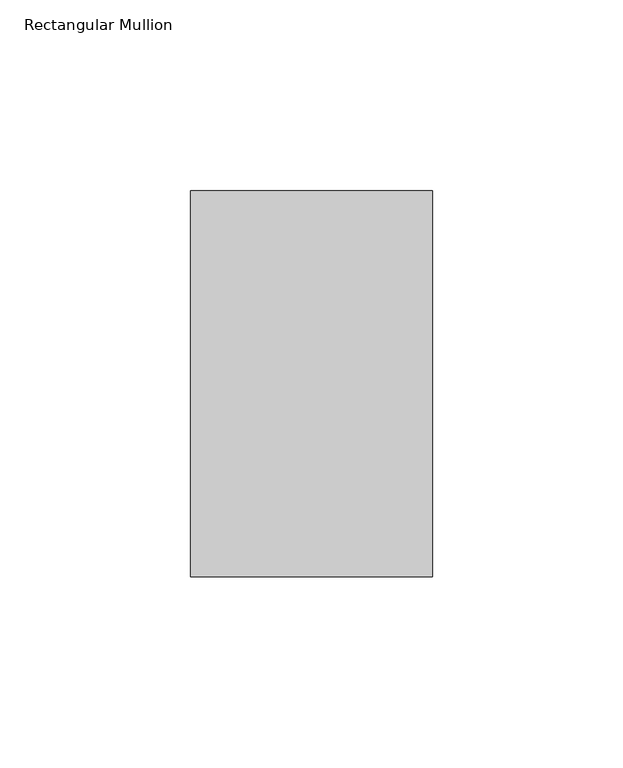
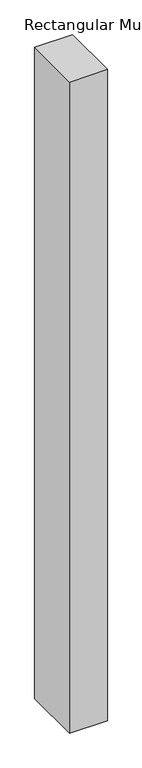
"""IFC4 building model written with IfcOpenShell, lengths in millimetres: member geometry, Rectangular Mullion."""

from ifc_helpers import new_model, si_unit, frame, origin, place, context, project, spatial, polyline, outline, extrude, source, transform, mapped, element, save


def rectangular_mullion_8873e042(model_context):
    return source(origin(), model_context, "Body", "SweptSolid", [
        extrude(outline(polyline([(31.75, 133.4396937), (31.75, 32.2460937), (-31.75, 32.2460938), (-31.75, 133.4396937), (31.75, 133.4396937)])), frame((0.0, 0.0, -1155.7), z_axis=(0.0, 0.0, 1.0), x_axis=(1.0, 0.0, 0.0)), (0.0, 0.0, 1.0), 1155.7),
    ])


if __name__ == "__main__":
    model = new_model("IFC4")
    model_context = context("Model", 3, world=origin())
    ifc_project = project(units=[si_unit("LENGTHUNIT", "METRE", prefix="MILLI")], contexts=[model_context])
    site = spatial("IfcSite", under=ifc_project)
    building = spatial("IfcBuilding", under=site)
    placement = place(None, origin())
    rectangular_mullion_shape = rectangular_mullion_8873e042(model_context)
    element("IfcMember", 1, ObjectType="Rectangular Mullion", at=placement, inside=building, context=model_context, shape_type="MappedRepresentation", body=[
        mapped(rectangular_mullion_shape, transform((0.0, 0.0, 0.0), x_axis=(1.0, 0.0, 0.0), y_axis=(0.0, 1.0, 0.0), z_axis=(0.0, 0.0, 1.0))),
    ])
    save(model, "model.ifc")
